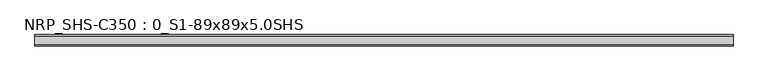
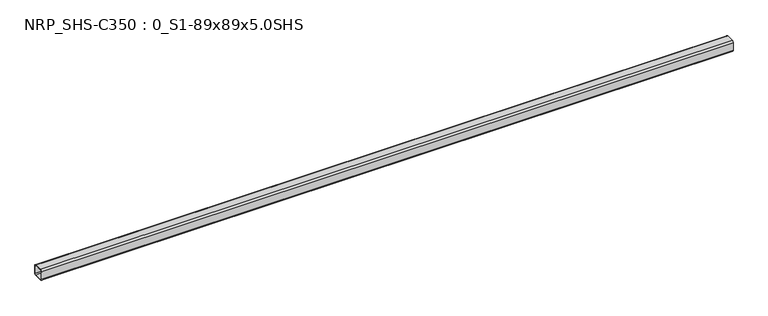
"""IFC4 building model written with IfcOpenShell, lengths in millimetres: beam geometry, NRP_SHS-C350 : 0_S1-89x89x5.0SHS."""

from ifc_helpers import new_model, si_unit, point, frame, frame_2d, origin, place, context, project, spatial, polyline, circle_curve, trimmed, segment, composite_curve, outline, extrude, source, transform, mapped, element, save


def nrp_shs_c350_0_s1_89x89x5_0shs_a68659ec(model_context):
    return source(origin(), model_context, "Body", "SweptSolid", [
        extrude(outline(composite_curve([segment(polyline([(44.5, 32.0), (44.5, -32.0)]), True, "CONTINUOUS"), segment(trimmed(circle_curve(frame_2d((32.0, -32.0)), 12.5), [point((44.5, -32.0))], [point((32.0, -44.5))], False, "CARTESIAN"), True, "CONTINUOUS"), segment(polyline([(32.0, -44.5), (-32.0, -44.5)]), True, "CONTINUOUS"), segment(trimmed(circle_curve(frame_2d((-32.0, -32.0)), 12.5), [point((-32.0, -44.5))], [point((-44.5, -32.0))], False, "CARTESIAN"), True, "CONTINUOUS"), segment(polyline([(-44.5, -32.0), (-44.5, 32.0)]), True, "CONTINUOUS"), segment(trimmed(circle_curve(frame_2d((-32.0, 32.0)), 12.5), [point((-44.5, 32.0))], [point((-32.0, 44.5))], False, "CARTESIAN"), True, "CONTINUOUS"), segment(polyline([(-32.0, 44.5), (32.0, 44.5)]), True, "CONTINUOUS"), segment(trimmed(circle_curve(frame_2d((32.0, 32.0)), 12.5), [point((32.0, 44.5))], [point((44.5, 32.0))], False, "CARTESIAN"), True, "CONTINUOUS")], self_intersect=False), holes=[composite_curve([segment(trimmed(circle_curve(frame_2d((-32.0, 32.0)), 7.5), [point((-32.0, 39.5))], [point((-39.5, 32.0))], True, "CARTESIAN"), True, "CONTINUOUS"), segment(polyline([(-39.5, 32.0), (-39.5, -32.0)]), True, "CONTINUOUS"), segment(trimmed(circle_curve(frame_2d((-32.0, -32.0)), 7.5), [point((-39.5, -32.0))], [point((-32.0, -39.5))], True, "CARTESIAN"), True, "CONTINUOUS"), segment(polyline([(-32.0, -39.5), (32.0, -39.5)]), True, "CONTINUOUS"), segment(trimmed(circle_curve(frame_2d((32.0, -32.0)), 7.5), [point((32.0, -39.5))], [point((39.5, -32.0))], True, "CARTESIAN"), True, "CONTINUOUS"), segment(polyline([(39.5, -32.0), (39.5, 32.0)]), True, "CONTINUOUS"), segment(trimmed(circle_curve(frame_2d((32.0, 32.0)), 7.5), [point((39.5, 32.0))], [point((32.0, 39.5))], True, "CARTESIAN"), True, "CONTINUOUS"), segment(polyline([(32.0, 39.5), (-32.0, 39.5)]), True, "CONTINUOUS")], self_intersect=False)]), frame((-2824.5, 0.0, 0.0), z_axis=(1.0, 0.0, 0.0), x_axis=(0.0, 1.0, 0.0)), (0.0, 0.0, 1.0), 5554.0),
    ])


if __name__ == "__main__":
    model = new_model("IFC4")
    model_context = context("Model", 3, world=origin())
    ifc_project = project(units=[si_unit("LENGTHUNIT", "METRE", prefix="MILLI")], contexts=[model_context])
    site = spatial("IfcSite", under=ifc_project)
    building = spatial("IfcBuilding", under=site)
    placement = place(None, origin())
    nrp_shs_c350_0_s1_89x89x5_0shs_shape = nrp_shs_c350_0_s1_89x89x5_0shs_a68659ec(model_context)
    element("IfcBeam", 1, ObjectType="NRP_SHS-C350 : 0_S1-89x89x5.0SHS", at=placement, inside=building, context=model_context, shape_type="MappedRepresentation", body=[
        mapped(nrp_shs_c350_0_s1_89x89x5_0shs_shape, transform((0.0, 0.0, 0.0), x_axis=(1.0, 0.0, 0.0), y_axis=(0.0, 1.0, 0.0), z_axis=(0.0, 0.0, 1.0))),
    ])
    save(model, "model.ifc")
